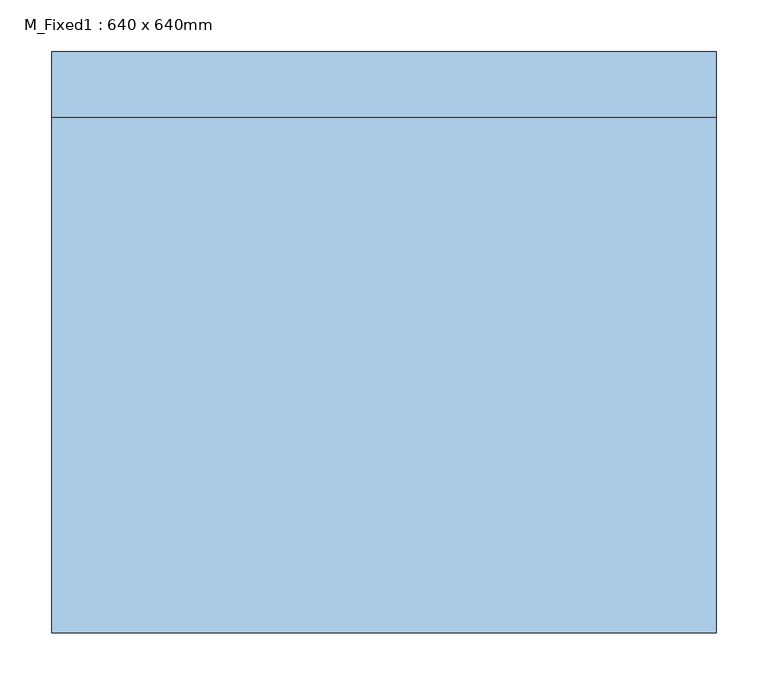
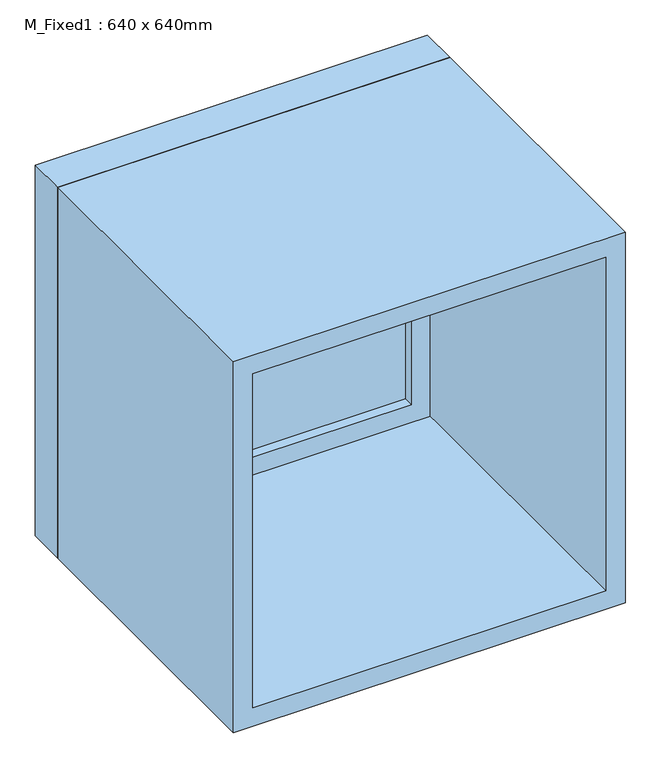
"""IFC4 building model written with IfcOpenShell, lengths in millimetres: window geometry, M_Fixed1 : 640 x 640mm."""

from ifc_helpers import new_model, si_unit, frame, origin, place, context, project, spatial, polyline, outline, extrude, source, transform, mapped, element, save


def m_fixed1_640_x_640mm_cd460972(model_context):
    return source(origin(), model_context, "Body", "SweptSolid", [
        extrude(outline(polyline([(-257.0, 258.0115455), (257.0, 258.0115455), (257.0, 246.0115455), (-257.0, 246.0115455), (-257.0, 258.0115455)])), frame((0.0, 0.0, 978.0), z_axis=(0.0, 0.0, 1.0), x_axis=(1.0, 0.0, 0.0)), (0.0, 0.0, 1.0), 514.0),
        extrude(outline(polyline([(1536.0, -301.0), (934.0, -301.0), (934.0, 301.0), (1536.0, 301.0), (1536.0, -301.0)]), holes=[polyline([(1492.0, -257.0), (1492.0, 257.0), (978.0, 257.0), (978.0, -257.0), (1492.0, -257.0)])]), frame((0.0, 230.0115455, 0.0), z_axis=(0.0, 1.0, 0.0), x_axis=(0.0, 0.0, 1.0)), (0.0, 0.0, 1.0), 44.0),
        extrude(outline(polyline([(1555.0, -320.0), (915.0, -320.0), (915.0, 320.0), (1555.0, 320.0), (1555.0, -320.0)]), holes=[polyline([(1536.0, -301.0), (1536.0, 301.0), (934.0, 301.0), (934.0, -301.0), (1536.0, -301.0)])]), frame((0.0, 230.0115455, 0.0), z_axis=(0.0, 1.0, 0.0), x_axis=(0.0, 0.0, 1.0)), (0.0, 0.0, 1.0), 63.0),
        extrude(outline(polyline([(1555.0, -320.0), (915.0, -320.0), (915.0, 320.0), (1555.0, 320.0), (1555.0, -320.0)]), holes=[polyline([(1523.0, -288.0), (1523.0, 288.0), (947.0, 288.0), (947.0, -288.0), (1523.0, -288.0)])]), frame((0.0, -267.0115455, 0.0), z_axis=(0.0, 1.0, 0.0), x_axis=(0.0, 0.0, 1.0)), (0.0, 0.0, 1.0), 497.0230909),
    ])


if __name__ == "__main__":
    model = new_model("IFC4")
    model_context = context("Model", 3, world=origin())
    ifc_project = project(units=[si_unit("LENGTHUNIT", "METRE", prefix="MILLI")], contexts=[model_context])
    site = spatial("IfcSite", under=ifc_project)
    building = spatial("IfcBuilding", under=site)
    placement = place(None, origin())
    m_fixed1_640_x_640mm_shape = m_fixed1_640_x_640mm_cd460972(model_context)
    element("IfcWindow", 1, ObjectType="M_Fixed1 : 640 x 640mm", at=placement, inside=building, context=model_context, shape_type="MappedRepresentation", body=[
        mapped(m_fixed1_640_x_640mm_shape, transform((0.0, 0.0, 0.0), x_axis=(1.0, 0.0, 0.0), y_axis=(0.0, 1.0, 0.0), z_axis=(0.0, 0.0, 1.0))),
    ])
    save(model, "model.ifc")
